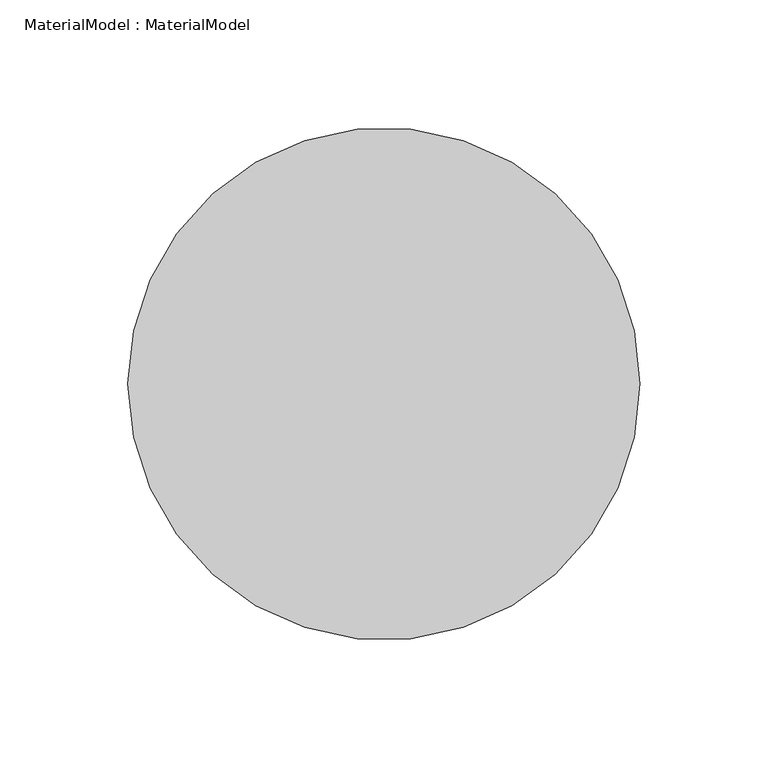
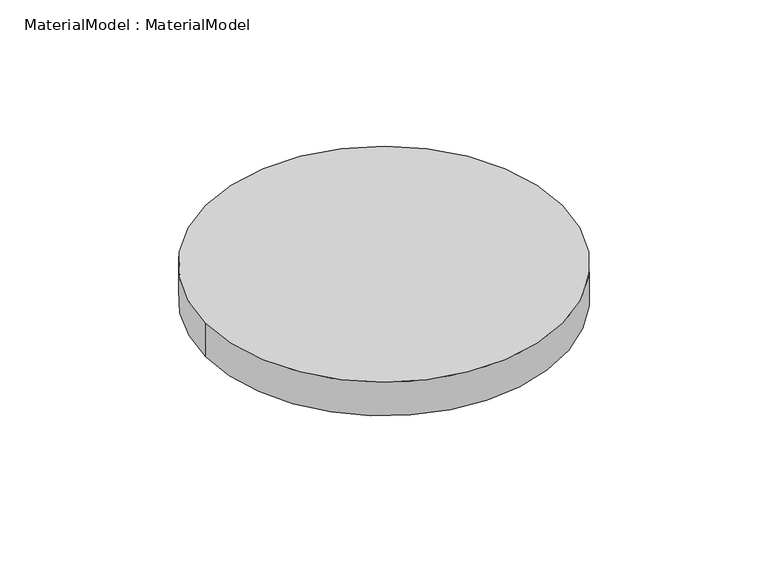
"""IFC4 building model written with IfcOpenShell, lengths in millimetres: proxy geometry, MaterialModel : MaterialModel."""

import ifcopenshell
import ifcopenshell.guid

model = None  # the IFC model being written
_history = None  # IfcOwnerHistory: only IFC2X3 demands one
_inside = {}  # id of a spatial element -> (the spatial element, [elements in it])
_under = {}  # id of a project, library or spatial element -> (it, [spatial elements below it])
_declared = {}  # id of a project -> (the project, [libraries it declares])
_typed = {}  # id of a type object -> (the type object, [elements of that type])
_made_of = {}  # id of a material, layer set ... -> (it, [elements and type objects made of it])


def new_model(schema):
    """Start an empty IFC model of exactly this schema.

    Asked for "IFC4X3", IfcOpenShell would pick the latest addendum, in which some entities
    have other attributes; the version numbers below select the first issue.
    IFC2X3 requires an IfcOwnerHistory on every rooted entity: one is made here for all.
    """
    global model, _history
    if schema == "IFC4X3":
        model = ifcopenshell.file(schema_version=(4, 3, 0, 0))
    else:
        model = ifcopenshell.file(schema=schema)
    _inside.clear()
    _under.clear()
    _declared.clear()
    _typed.clear()
    _made_of.clear()
    _history = None
    if model.schema == "IFC2X3":
        org = make("IfcOrganization", Name="unknown")
        user = make(
            "IfcPersonAndOrganization",
            ThePerson=make("IfcPerson", FamilyName="unknown"),
            TheOrganization=org,
        )
        app = make(
            "IfcApplication",
            ApplicationDeveloper=org,
            Version="unknown",
            ApplicationFullName="unknown",
            ApplicationIdentifier="unknown",
        )
        _history = make(
            "IfcOwnerHistory",
            OwningUser=user,
            OwningApplication=app,
            ChangeAction="ADDED",
            CreationDate=0,
        )
    return model


def make(cls, **values):
    """One entity of the class cls with the attributes given. An attribute that is None is left unset."""
    return model.create_entity(
        cls, **{name: value for name, value in values.items() if value is not None}
    )


def rooted(cls, **values):
    """An entity with a GlobalId (a new one), such as an element, a storey or a relation."""
    return make(cls, GlobalId=ifcopenshell.guid.new(), OwnerHistory=_history, **values)


def si_unit(unit_type, name, prefix=None):
    """IfcSIUnit, for example si_unit("LENGTHUNIT", "METRE", prefix="MILLI")."""
    return make("IfcSIUnit", UnitType=unit_type, Prefix=prefix, Name=name)


def assignment(units):
    """IfcUnitAssignment: the units of a project."""
    return None if units is None else make("IfcUnitAssignment", Units=units)


def point(xyz):
    """IfcCartesianPoint."""
    return None if xyz is None else make("IfcCartesianPoint", Coordinates=xyz)


def direction(xyz):
    """IfcDirection."""
    return None if xyz is None else make("IfcDirection", DirectionRatios=xyz)


def frame(location, z_axis=None, x_axis=None):
    """IfcAxis2Placement3D, a coordinate frame: its origin and axes. An axis left out is left unset."""
    return make(
        "IfcAxis2Placement3D",
        Location=point(location),
        Axis=direction(z_axis),
        RefDirection=direction(x_axis),
    )


def frame_2d(location, x_axis=None):
    """IfcAxis2Placement2D, a coordinate frame in the plane: its origin and x axis."""
    return make(
        "IfcAxis2Placement2D", Location=point(location), RefDirection=direction(x_axis)
    )


def origin():
    """The frame at (0, 0, 0) with its axes left unset."""
    return frame((0.0, 0.0, 0.0))


def origin_with_axes():
    """The frame at (0, 0, 0) with the z axis (0, 0, 1) and the x axis (1, 0, 0) written out."""
    return frame((0.0, 0.0, 0.0), z_axis=(0.0, 0.0, 1.0), x_axis=(1.0, 0.0, 0.0))


def origin_2d():
    """The frame at (0, 0) in the plane with its x axis left unset."""
    return frame_2d((0.0, 0.0))


def place(relative_to, where):
    """IfcLocalPlacement: puts the frame where relative to a parent placement (None: the world)."""
    return make(
        "IfcLocalPlacement", PlacementRelTo=relative_to, RelativePlacement=where
    )


def context(
    kind, dimensions, precision=None, world=None, true_north=None, identifier=None
):
    """IfcGeometricRepresentationContext, for example the 3D "Model" context."""
    return make(
        "IfcGeometricRepresentationContext",
        ContextIdentifier=identifier,
        ContextType=kind,
        CoordinateSpaceDimension=dimensions,
        Precision=precision,
        WorldCoordinateSystem=world,
        TrueNorth=true_north,
    )


def project(units=None, contexts=None):
    """IfcProject with its units and contexts."""
    return rooted(
        "IfcProject",
        Name="project",
        RepresentationContexts=contexts,
        UnitsInContext=assignment(units),
    )


def spatial(cls, under=None, at=None, **own):
    """A site, building, storey or space (cls), placed at a placement, below another one or the project."""
    s = rooted(cls, ObjectPlacement=at, **own)
    if under is not None:
        _under.setdefault(under.id(), (under, []))[1].append(s)
    return s


def circle_curve(where, radius):
    """IfcCircle in the frame where."""
    return make("IfcCircle", Position=where, Radius=radius)


def trimmed(basis, trim1, trim2, sense, master):
    """IfcTrimmedCurve: the piece of a basis curve between two trims."""
    return make(
        "IfcTrimmedCurve",
        BasisCurve=basis,
        Trim1=trim1,
        Trim2=trim2,
        SenseAgreement=sense,
        MasterRepresentation=master,
    )


def segment(curve, same_sense, transition):
    """IfcCompositeCurveSegment."""
    return make(
        "IfcCompositeCurveSegment",
        Transition=transition,
        SameSense=same_sense,
        ParentCurve=curve,
    )


def composite_curve(segments, self_intersect=None):
    """IfcCompositeCurve: segments joined end to end."""
    return make("IfcCompositeCurve", Segments=segments, SelfIntersect=self_intersect)


def outline(outer, holes=None, kind="AREA"):
    """IfcArbitraryClosedProfileDef: a profile drawn as a closed curve; with holes, ...WithVoids."""
    if holes is None:
        return make("IfcArbitraryClosedProfileDef", ProfileType=kind, OuterCurve=outer)
    return make(
        "IfcArbitraryProfileDefWithVoids",
        ProfileType=kind,
        OuterCurve=outer,
        InnerCurves=holes,
    )


def extrude(swept, where, along, depth):
    """IfcExtrudedAreaSolid: the profile swept, set in the frame where, extruded along a direction by depth."""
    return make(
        "IfcExtrudedAreaSolid",
        SweptArea=swept,
        Position=where,
        ExtrudedDirection=direction(along),
        Depth=depth,
    )


def shape(context_of_items, identifier, shape_type, items):
    """IfcShapeRepresentation: the items that make up one representation, for example the "Body"."""
    return make(
        "IfcShapeRepresentation",
        ContextOfItems=context_of_items,
        RepresentationIdentifier=identifier,
        RepresentationType=shape_type,
        Items=items,
    )


def source(mapping_origin, context_of_items, identifier, shape_type, items):
    """IfcRepresentationMap: a shape defined once, which mapped items show again and again."""
    return make(
        "IfcRepresentationMap",
        MappingOrigin=mapping_origin,
        MappedRepresentation=shape(context_of_items, identifier, shape_type, items),
    )


def transform(
    local_origin,
    x_axis=None,
    y_axis=None,
    z_axis=None,
    scale=None,
    scale2=None,
    scale3=None,
    uniform=True,
):
    """IfcCartesianTransformationOperator3D, or its non-uniform kind. x_axis, y_axis, z_axis: its Axis1, 2, 3."""
    if uniform:
        return make(
            "IfcCartesianTransformationOperator3D",
            Axis1=direction(x_axis),
            Axis2=direction(y_axis),
            LocalOrigin=point(local_origin),
            Scale=scale,
            Axis3=direction(z_axis),
        )
    return make(
        "IfcCartesianTransformationOperator3DnonUniform",
        Axis1=direction(x_axis),
        Axis2=direction(y_axis),
        LocalOrigin=point(local_origin),
        Scale=scale,
        Axis3=direction(z_axis),
        Scale2=scale2,
        Scale3=scale3,
    )


def mapped(mapping_source, mapping_target):
    """IfcMappedItem: shows the shape of a source again, moved by a transform."""
    return make(
        "IfcMappedItem", MappingSource=mapping_source, MappingTarget=mapping_target
    )


def made_of(thing, what):
    """Note that an element or type object is made of a material, layer set ...; save() writes the relation."""
    if what is not None:
        _made_of.setdefault(what.id(), (what, []))[1].append(thing)
    return thing


def element(
    cls,
    number,
    at=None,
    inside=None,
    cuts=None,
    type_object=None,
    material=None,
    context=None,
    identifier="Body",
    shape_type=None,
    held_by="IfcProductDefinitionShape",
    body=None,
    shapes=None,
    **own,
):
    """One element of the class cls, such as IfcWall. Its Tag is "e" and its number.

    at: its placement. inside: the storey or other place that contains it. cuts: it is an
    opening in that element (IfcRelVoidsElement). A single representation is given by context,
    identifier, shape_type and body (its items); several are given by shapes. held_by: the class
    of the entity that holds the representations. save() writes the other relations.
    """
    e = rooted(cls, Tag="e%d" % number, ObjectPlacement=at, **own)
    if body is not None:
        shapes = [shape(context, identifier, shape_type, body)]
    if shapes is not None:
        e.Representation = make(held_by, Representations=shapes)
    if inside is not None:
        _inside.setdefault(inside.id(), (inside, []))[1].append(e)
    if cuts is not None:
        rooted(
            "IfcRelVoidsElement", RelatingBuildingElement=cuts, RelatedOpeningElement=e
        )
    if type_object is not None:
        _typed.setdefault(type_object.id(), (type_object, []))[1].append(e)
    return made_of(e, material)


def aggregate(whole, parts):
    """IfcRelAggregates: a whole, such as a stair, and the parts it consists of."""
    return rooted("IfcRelAggregates", RelatingObject=whole, RelatedObjects=parts)


def save(model, path):
    """Write the relations noted so far, then the file.

    IfcRelAggregates (storeys below a building ...), IfcRelContainedInSpatialStructure (elements
    in a storey), IfcRelDefinesByType, IfcRelAssociatesMaterial and IfcRelDeclares: one each for
    every whole, place, type object, material and project.
    """
    for whole, parts in _under.values():
        aggregate(whole, parts)
    for where, things in _inside.values():
        rooted(
            "IfcRelContainedInSpatialStructure",
            RelatedElements=things,
            RelatingStructure=where,
        )
    for kind, things in _typed.values():
        rooted("IfcRelDefinesByType", RelatedObjects=things, RelatingType=kind)
    for what, things in _made_of.values():
        rooted("IfcRelAssociatesMaterial", RelatedObjects=things, RelatingMaterial=what)
    for by, libraries in _declared.values():
        rooted("IfcRelDeclares", RelatingContext=by, RelatedDefinitions=libraries)
    model.write(path)


def materialmodel_materialmodel_ac00f72a(model_context):
    return source(origin(), model_context, "Body", "SweptSolid", [
        extrude(outline(composite_curve([segment(trimmed(circle_curve(origin_2d(), 100.0), [point((-100.0, 0.0))], [point((100.0, 0.0))], False, "CARTESIAN"), True, "CONTINUOUS"), segment(trimmed(circle_curve(origin_2d(), 100.0), [point((100.0, 0.0))], [point((-100.0, 0.0))], False, "CARTESIAN"), True, "CONTINUOUS")], self_intersect=False)), origin_with_axes(), (0.0, 0.0, 1.0), 20.0),
    ])


if __name__ == "__main__":
    model = new_model("IFC4")
    model_context = context("Model", 3, world=origin())
    ifc_project = project(units=[si_unit("LENGTHUNIT", "METRE", prefix="MILLI")], contexts=[model_context])
    site = spatial("IfcSite", under=ifc_project)
    building = spatial("IfcBuilding", under=site)
    placement = place(None, origin())
    materialmodel_materialmodel_shape = materialmodel_materialmodel_ac00f72a(model_context)
    element("IfcBuildingElementProxy", 1, Name="MaterialModel : MaterialModel", ObjectType="MaterialModel : MaterialModel", at=placement, inside=building, context=model_context, shape_type="MappedRepresentation", body=[
        mapped(materialmodel_materialmodel_shape, transform((0.0, 0.0, 0.0), x_axis=(1.0, 0.0, 0.0), y_axis=(0.0, 1.0, 0.0), z_axis=(0.0, 0.0, 1.0))),
    ])
    save(model, "model.ifc")
